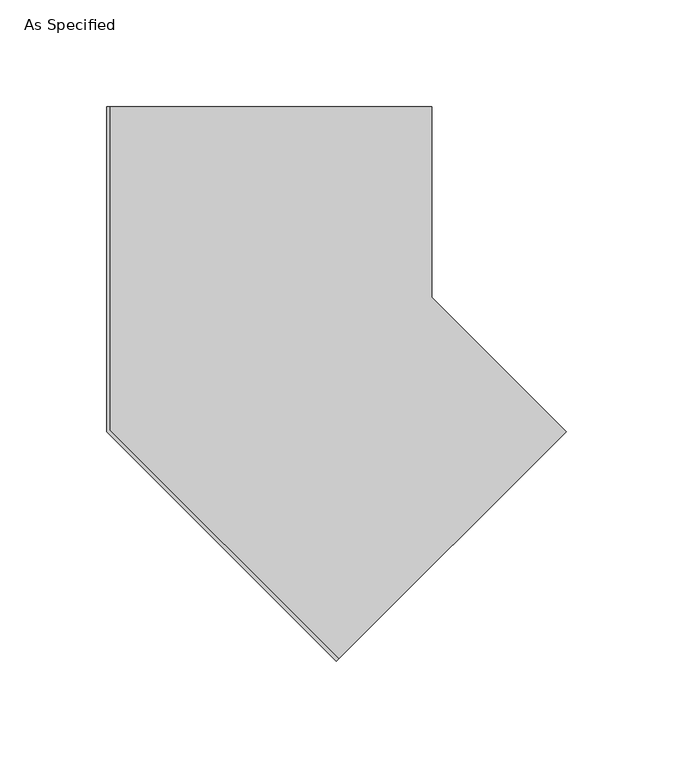
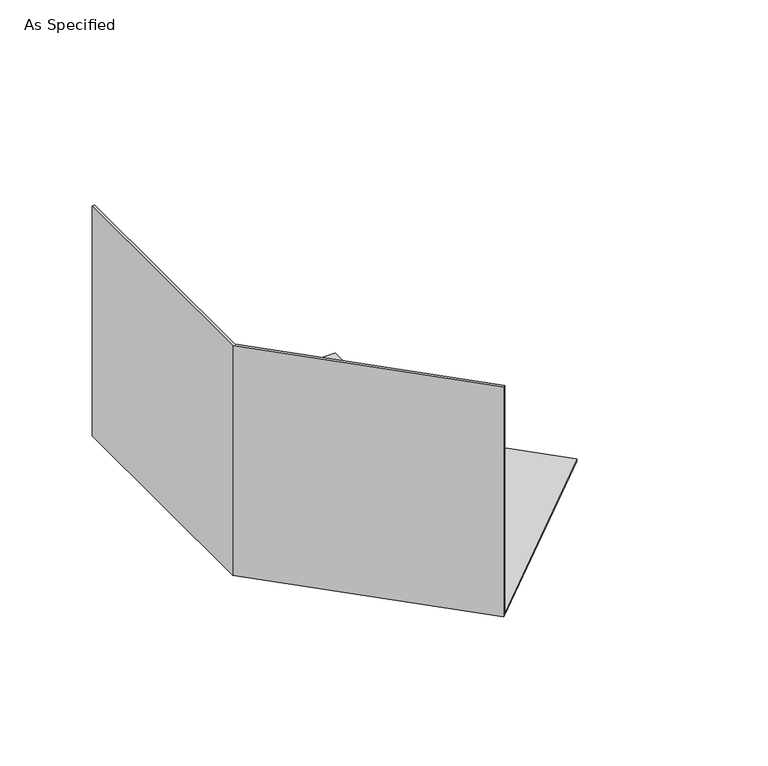
"""IFC4 building model written with IfcOpenShell, lengths in millimetres: proxy geometry, As Specified."""

from ifc_helpers import new_model, si_unit, origin, place, context, project, spatial, faceted_brep, source, transform, mapped, element, save


def as_specified_5e518dc5(model_context):
    return source(origin(), model_context, "Body", "Brep", [
        faceted_brep([(215.5261469, 0.0, 1.5875), (152.4, 63.1261469, 1.5875), (152.4, 152.4, 1.5875), (1.5875, 152.4, 1.5875), (1.5875, 0.657564, 1.5875), (108.8856055, -106.6405414, 1.5875), (0.0, 152.4, 0.0), (152.4, 152.4, 0.0), (152.4, 63.1261469, 0.0), (215.5261469, 0.0, 0.0), (107.7630735, -107.7630735, 0.0), (0.0, 0.0, 0.0), (0.0, 152.4, 152.4), (1.5875, 152.4, 152.4), (0.0, 0.0, 152.4), (107.7630735, -107.7630735, 152.4), (108.8856055, -106.6405414, 152.4), (1.5875, 0.657564, 152.4)], [[[0, 1, 2, 3, 4, 5]], [[6, 7, 8, 9, 10, 11]], [[2, 7, 6, 12, 13, 3]], [[12, 6, 11, 14]], [[2, 1, 8, 7]], [[14, 15, 16, 17, 13, 12]], [[13, 17, 4, 3]], [[17, 16, 5, 4]], [[14, 11, 10, 15]], [[15, 10, 9, 0, 5, 16]], [[1, 0, 9, 8]]]),
    ])


if __name__ == "__main__":
    model = new_model("IFC4")
    model_context = context("Model", 3, world=origin())
    ifc_project = project(units=[si_unit("LENGTHUNIT", "METRE", prefix="MILLI")], contexts=[model_context])
    site = spatial("IfcSite", under=ifc_project)
    building = spatial("IfcBuilding", under=site)
    placement = place(None, origin())
    as_specified_shape = as_specified_5e518dc5(model_context)
    element("IfcBuildingElementProxy", 1, Name="As Specified", ObjectType="As Specified", at=placement, inside=building, context=model_context, shape_type="MappedRepresentation", body=[
        mapped(as_specified_shape, transform((0.0, 0.0, 0.0), x_axis=(1.0, 0.0, 0.0), y_axis=(0.0, 1.0, 0.0), z_axis=(0.0, 0.0, 1.0))),
    ])
    save(model, "model.ifc")
